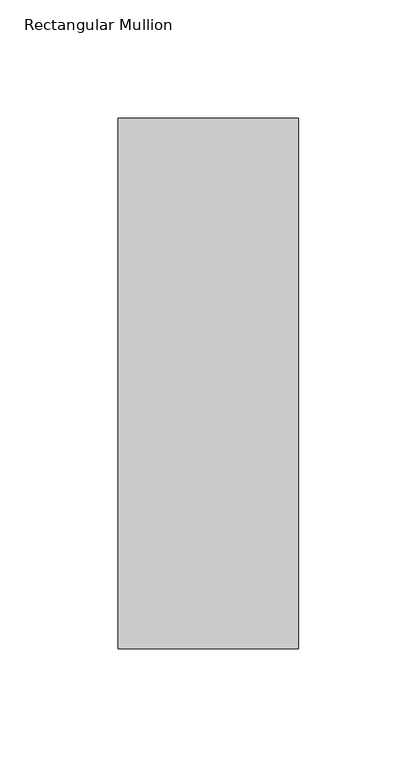
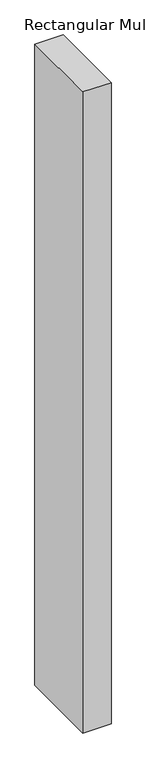
"""IFC4 building model written with IfcOpenShell, lengths in millimetres: member geometry, Rectangular Mullion."""

from ifc_helpers import new_model, si_unit, frame, origin, place, context, project, spatial, polyline, outline, extrude, source, transform, mapped, element, save


def rectangular_mullion_5b8fcb73(model_context):
    return source(origin(), model_context, "Body", "SweptSolid", [
        extrude(outline(polyline([(38.1, -181.76875), (-38.1, -181.76875), (-38.1, 42.06875), (38.1, 42.06875), (38.1, -181.76875)])), frame((0.0, 0.0, -1828.8), z_axis=(0.0, 0.0, 1.0), x_axis=(1.0, 0.0, 0.0)), (0.0, 0.0, 1.0), 1828.8),
    ])


if __name__ == "__main__":
    model = new_model("IFC4")
    model_context = context("Model", 3, world=origin())
    ifc_project = project(units=[si_unit("LENGTHUNIT", "METRE", prefix="MILLI")], contexts=[model_context])
    site = spatial("IfcSite", under=ifc_project)
    building = spatial("IfcBuilding", under=site)
    placement = place(None, origin())
    rectangular_mullion_shape = rectangular_mullion_5b8fcb73(model_context)
    element("IfcMember", 1, ObjectType="Rectangular Mullion", at=placement, inside=building, context=model_context, shape_type="MappedRepresentation", body=[
        mapped(rectangular_mullion_shape, transform((0.0, 0.0, 0.0), x_axis=(1.0, 0.0, 0.0), y_axis=(0.0, 1.0, 0.0), z_axis=(0.0, 0.0, 1.0))),
    ])
    save(model, "model.ifc")
